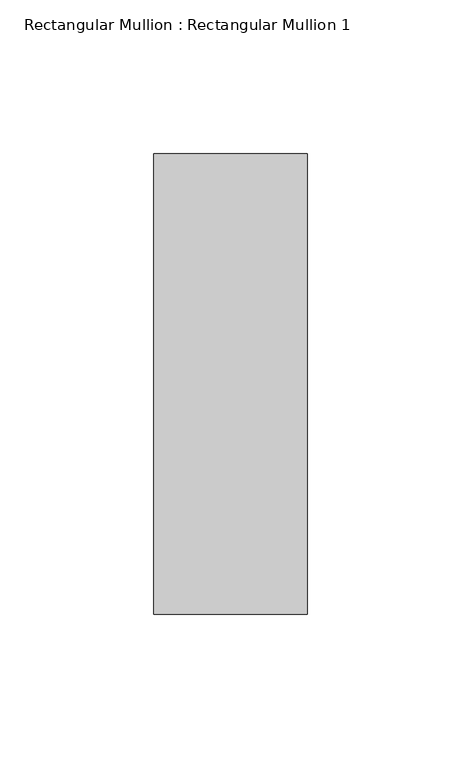
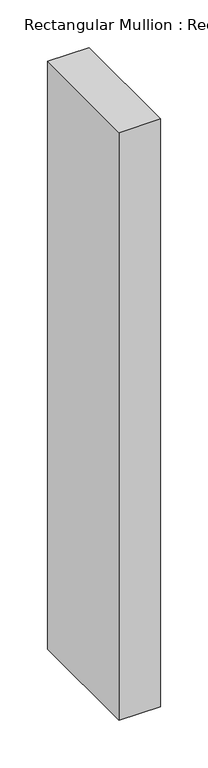
"""IFC4 building model written with IfcOpenShell, lengths in millimetres: member geometry, Rectangular Mullion : Rectangular Mullion 1."""

from ifc_helpers import new_model, si_unit, frame, origin, place, context, project, spatial, polyline, outline, extrude, source, transform, mapped, element, save


def rectangular_mullion_rectangular_mullion_1_352435b0(model_context):
    return source(origin(), model_context, "Body", "SweptSolid", [
        extrude(outline(polyline([(0.0, 75.0), (0.0, -75.0), (-50.0, -75.0), (-50.0, 75.0), (0.0, 75.0)])), frame((0.0, 0.0, -751.6666667), z_axis=(0.0, 0.0, 1.0), x_axis=(1.0, 0.0, 0.0)), (0.0, 0.0, 1.0), 751.6666667),
    ])


if __name__ == "__main__":
    model = new_model("IFC4")
    model_context = context("Model", 3, world=origin())
    ifc_project = project(units=[si_unit("LENGTHUNIT", "METRE", prefix="MILLI")], contexts=[model_context])
    site = spatial("IfcSite", under=ifc_project)
    building = spatial("IfcBuilding", under=site)
    placement = place(None, origin())
    rectangular_mullion_rectangular_mullion_1_shape = rectangular_mullion_rectangular_mullion_1_352435b0(model_context)
    element("IfcMember", 1, ObjectType="Rectangular Mullion : Rectangular Mullion 1", at=placement, inside=building, context=model_context, shape_type="MappedRepresentation", body=[
        mapped(rectangular_mullion_rectangular_mullion_1_shape, transform((0.0, 0.0, 0.0), x_axis=(1.0, 0.0, 0.0), y_axis=(0.0, 1.0, 0.0), z_axis=(0.0, 0.0, 1.0))),
    ])
    save(model, "model.ifc")
